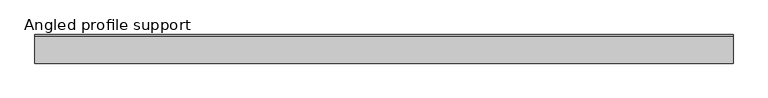
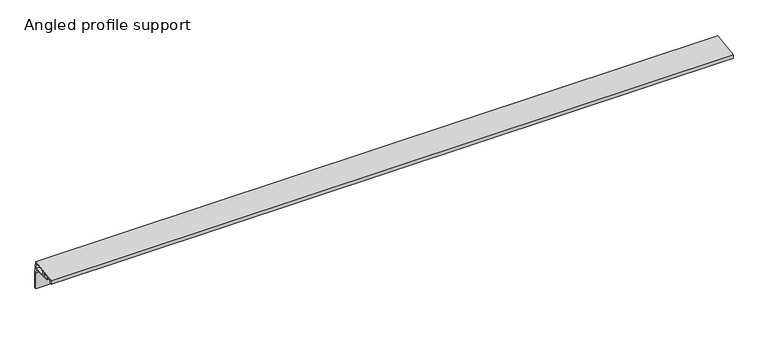
"""IFC4 building model written with IfcOpenShell, lengths in millimetres: proxy geometry, Angled profile support."""

from ifc_helpers import new_model, si_unit, frame, origin, place, context, project, spatial, polyline, outline, extrude, source, transform, mapped, element, save


def angled_profile_support_e22b6adc(model_context):
    return source(origin(), model_context, "Body", "SweptSolid", [
        extrude(outline(polyline([(0.0, 71.0), (74.8655257, 82.2298289), (80.0, 48.0), (80.0, 0.0), (75.0, 0.0), (75.0, 48.0), (73.2, 60.0), (37.0, 60.0), (21.5, 60.0), (21.5, 63.0), (36.5, 63.0), (36.5, 73.4414377), (3.0, 68.4164377), (3.0, 60.0), (0.0, 60.0), (0.0, 71.0)]), holes=[polyline([(71.3548016, 78.669658), (42.5416642, 74.3476874), (42.5416642, 63.0), (73.7052503, 63.0), (71.3548016, 78.669658)])]), frame((0.0, 0.0, 0.0), z_axis=(1.0, 0.0, 0.0), x_axis=(0.0, 1.0, 0.0)), (0.0, 0.0, 1.0), 1950.0),
    ])


if __name__ == "__main__":
    model = new_model("IFC4")
    model_context = context("Model", 3, world=origin())
    ifc_project = project(units=[si_unit("LENGTHUNIT", "METRE", prefix="MILLI")], contexts=[model_context])
    site = spatial("IfcSite", under=ifc_project)
    building = spatial("IfcBuilding", under=site)
    placement = place(None, origin())
    angled_profile_support_shape = angled_profile_support_e22b6adc(model_context)
    element("IfcBuildingElementProxy", 1, Name="Angled profile support", ObjectType="Angled profile support", at=placement, inside=building, context=model_context, shape_type="MappedRepresentation", body=[
        mapped(angled_profile_support_shape, transform((0.0, 0.0, 0.0), x_axis=(1.0, 0.0, 0.0), y_axis=(0.0, 1.0, 0.0), z_axis=(0.0, 0.0, 1.0))),
    ])
    save(model, "model.ifc")
